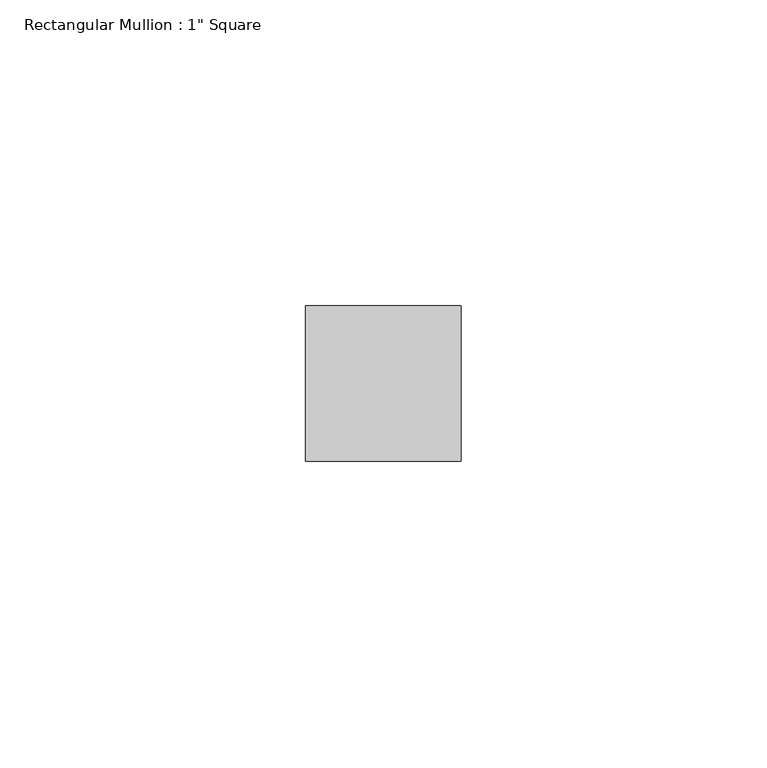
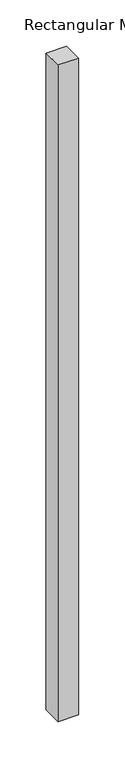
"""IFC4 building model written with IfcOpenShell, lengths in millimetres: member geometry."""

from ifc_helpers import new_model, si_unit, frame, origin, place, context, project, spatial, polyline, outline, extrude, source, transform, mapped, element, save


def member_8d4e6f84(model_context):
    return source(origin(), model_context, "Body", "SweptSolid", [
        extrude(outline(polyline([(12.7, 12.7), (12.7, -12.7), (-12.7, -12.7), (-12.7, 12.7), (12.7, 12.7)])), frame((0.0, 0.0, -863.6), z_axis=(0.0, 0.0, 1.0), x_axis=(1.0, 0.0, 0.0)), (0.0, 0.0, 1.0), 863.6),
    ])


if __name__ == "__main__":
    model = new_model("IFC4")
    model_context = context("Model", 3, world=origin())
    ifc_project = project(units=[si_unit("LENGTHUNIT", "METRE", prefix="MILLI")], contexts=[model_context])
    site = spatial("IfcSite", under=ifc_project)
    building = spatial("IfcBuilding", under=site)
    placement = place(None, origin())
    member_shape = member_8d4e6f84(model_context)
    element("IfcMember", 1, ObjectType="Rectangular Mullion : 1\" Square", at=placement, inside=building, context=model_context, shape_type="MappedRepresentation", body=[
        mapped(member_shape, transform((0.0, 0.0, 0.0), x_axis=(1.0, 0.0, 0.0), y_axis=(0.0, 1.0, 0.0), z_axis=(0.0, 0.0, 1.0))),
    ])
    save(model, "model.ifc")
